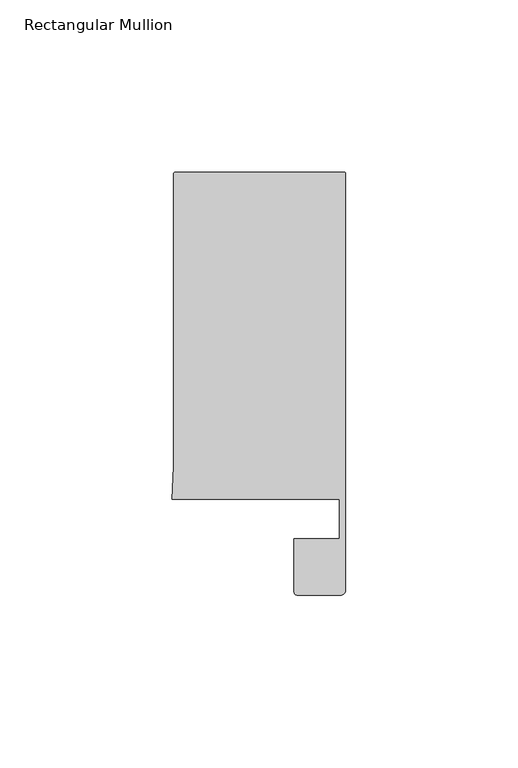
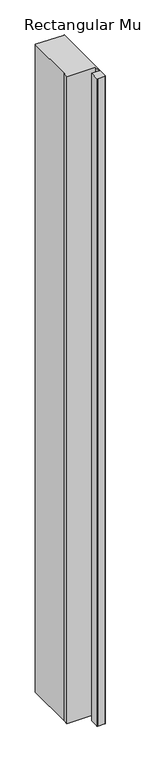
"""IFC4 building model written with IfcOpenShell, lengths in millimetres: member geometry, Rectangular Mullion."""

from ifc_helpers import new_model, si_unit, frame, origin, place, context, project, spatial, circle_curve, source, transform, mapped, element, save
from ifc_brep_helpers import plane_surface, cylinder_surface, advanced_brep


def rectangular_mullion_036e7bb2(model_context):
    return source(origin(), model_context, "Body", "AdvancedBrep", [
        advanced_brep(
        [(-49.5, 108.995417, 0.0), (-50.0, 108.495417, 0.0), (-50.0, 23.4856858, 0.0), (-50.4480459, 14.0, 0.0), (-1.8, 14.0, 0.0), (-1.8, 2.6022043, 0.0), (-15.0, 2.6022043, 0.0), (-15.0, -12.8070793, 0.0), (-13.9997566, -13.8070793, 0.0), (-1.5, -13.8070793, 0.0), (0.0, -12.3070793, 0.0), (0.0, 14.0, 0.0), (0.0, 108.495417, 0.0), (-0.5, 108.995417, 0.0), (-49.5, 108.995417, -1171.326129), (-0.5, 108.995417, -1171.326129), (0.0, 108.495417, -1171.326129), (0.0, 14.0, -1171.326129), (0.0, -12.3070793, -1171.326129), (-1.5, -13.8070793, -1171.326129), (-13.9997566, -13.8070793, -1171.326129), (-14.9997566, -12.8070793, -1171.326129), (-15.0, 2.6022043, -1171.326129), (-1.8, 2.6022043, -1171.326129), (-1.8, 14.0, -1171.326129), (-50.4480459, 14.0, -1171.326129), (-50.0, 23.4856858, -1171.326129), (-50.0, 108.495417, -1171.326129)],
        [
            (0, 1, circle_curve(frame((-49.5, 108.495417, 0.0), z_axis=(0.0, 0.0, 1.0), x_axis=(1.0, 0.0, 0.0)), 0.5)),
            (1, 2),
            (2, 3),
            (3, 4),
            (4, 5),
            (5, 6),
            (6, 7),
            (7, 8, circle_curve(frame((-13.9997566, -12.8070793, 0.0), z_axis=(0.0, 0.0, 1.0), x_axis=(1.0, 0.0, 0.0)), 1.0)),
            (8, 9),
            (9, 10, circle_curve(frame((-1.5, -12.3070793, 0.0), z_axis=(0.0, 0.0, 1.0), x_axis=(1.0, 0.0, 0.0)), 1.5)),
            (10, 11),
            (11, 12),
            (12, 13, circle_curve(frame((-0.5, 108.495417, 0.0), z_axis=(0.0, 0.0, 1.0), x_axis=(1.0, 0.0, 0.0)), 0.5)),
            (13, 0),
            (14, 15),
            (15, 16, circle_curve(frame((-0.5, 108.495417, -1171.326129), z_axis=(0.0, 0.0, -1.0), x_axis=(1.0, 0.0, 0.0)), 0.5)),
            (16, 17),
            (17, 18),
            (18, 19, circle_curve(frame((-1.5, -12.3070793, -1171.326129), z_axis=(0.0, 0.0, -1.0), x_axis=(1.0, 0.0, 0.0)), 1.5)),
            (19, 20),
            (20, 21, circle_curve(frame((-13.9997566, -12.8070793, -1171.326129), z_axis=(0.0, 0.0, -1.0), x_axis=(1.0, 0.0, 0.0)), 1.0)),
            (21, 22),
            (22, 23),
            (23, 24),
            (24, 25),
            (25, 26),
            (26, 27),
            (27, 14, circle_curve(frame((-49.5, 108.495417, -1171.326129), z_axis=(0.0, 0.0, -1.0), x_axis=(1.0, 0.0, 0.0)), 0.5)),
            (11, 17),
            (16, 12),
            (2, 26),
            (25, 3),
            (1, 27),
            (0, 14),
            (24, 4),
            (23, 5),
            (22, 6),
            (21, 7),
            (20, 8),
            (19, 9),
            (18, 10),
            (15, 13),
        ],
        [
            plane_surface(frame((0.0, -119.7224922, 0.0), z_axis=(0.0, 0.0, 1.0), x_axis=(-1.0, 0.0, 0.0))),
            plane_surface(frame((0.0, -119.7224922, -1171.326129), z_axis=(0.0, 0.0, -1.0), x_axis=(-1.0, 0.0, 0.0))),
            plane_surface(frame((0.0, 14.0, 0.0), z_axis=(1.0, 0.0, 0.0), x_axis=(0.0, 0.0, -1.0))),
            plane_surface(frame((-50.0, 23.4856858, 0.0), z_axis=(-0.9988863426396719, 0.047181293834952384, 0.0), x_axis=(0.0, 0.0, -1.0))),
            plane_surface(frame((-50.0, 108.495417, 0.0), z_axis=(-1.0, 0.0, 0.0), x_axis=(0.0, 0.0, -1.0))),
            cylinder_surface(frame((-49.5, 108.495417, 0.0), z_axis=(0.0, 0.0, 1.0), x_axis=(1.0, 0.0, 0.0)), 0.5),
            plane_surface(frame((-50.4480459, 14.0, 0.0), z_axis=(0.0, -1.0, 0.0), x_axis=(0.0, 0.0, -1.0))),
            plane_surface(frame((-1.8, 14.0, 0.0), z_axis=(-1.0, 0.0, 0.0), x_axis=(0.0, 0.0, -1.0))),
            plane_surface(frame((-1.8, 2.6022043, 0.0), z_axis=(0.0, 1.0, 0.0), x_axis=(0.0, 0.0, -1.0))),
            plane_surface(frame((-15.0, 2.6022043, 0.0), z_axis=(-1.0, 0.0, 0.0), x_axis=(0.0, 0.0, -1.0))),
            cylinder_surface(frame((-13.9997566, -12.8070793, 0.0), z_axis=(0.0, 0.0, 1.0), x_axis=(1.0, 0.0, 0.0)), 1.0),
            plane_surface(frame((-13.9997566, -13.8070793, 0.0), z_axis=(0.0, -1.0, 0.0), x_axis=(0.0, 0.0, -1.0))),
            cylinder_surface(frame((-1.5, -12.3070793, 0.0), z_axis=(0.0, 0.0, 1.0), x_axis=(1.0, 0.0, 0.0)), 1.5),
            plane_surface(frame((0.0, -12.3070793, 0.0), z_axis=(1.0, 0.0, 0.0), x_axis=(0.0, 0.0, -1.0))),
            cylinder_surface(frame((-0.5, 108.495417, 0.0), z_axis=(0.0, 0.0, 1.0), x_axis=(1.0, 0.0, 0.0)), 0.5),
            plane_surface(frame((-0.5, 108.995417, 0.0), z_axis=(0.0, 1.0, 0.0), x_axis=(0.0, 0.0, -1.0))),
        ],
        [
            (0, [[1, 2, 3, 4, 5, 6, 7, 8, 9, 10, 11, 12, 13, 14]]),
            (1, [[15, 16, 17, 18, 19, 20, 21, 22, 23, 24, 25, 26, 27, 28]]),
            (2, [[-12, 29, -17, 30]]),
            (3, [[-3, 31, -26, 32]]),
            (4, [[-2, 33, -27, -31]]),
            (5, [[-1, 34, -28, -33]]),
            (6, [[-4, -32, -25, 35]]),
            (7, [[-5, -35, -24, 36]]),
            (8, [[-6, -36, -23, 37]]),
            (9, [[-7, -37, -22, 38]]),
            (10, [[-8, -38, -21, 39]]),
            (11, [[-9, -39, -20, 40]]),
            (12, [[-10, -40, -19, 41]]),
            (13, [[-11, -41, -18, -29]]),
            (14, [[-13, -30, -16, 42]]),
            (15, [[-14, -42, -15, -34]]),
        ],
    ),
    ])


if __name__ == "__main__":
    model = new_model("IFC4")
    model_context = context("Model", 3, world=origin())
    ifc_project = project(units=[si_unit("LENGTHUNIT", "METRE", prefix="MILLI")], contexts=[model_context])
    site = spatial("IfcSite", under=ifc_project)
    building = spatial("IfcBuilding", under=site)
    placement = place(None, origin())
    rectangular_mullion_shape = rectangular_mullion_036e7bb2(model_context)
    element("IfcMember", 1, ObjectType="Rectangular Mullion", at=placement, inside=building, context=model_context, shape_type="MappedRepresentation", body=[
        mapped(rectangular_mullion_shape, transform((0.0, 0.0, 0.0), x_axis=(1.0, 0.0, 0.0), y_axis=(0.0, 1.0, 0.0), z_axis=(0.0, 0.0, 1.0))),
    ])
    save(model, "model.ifc")
